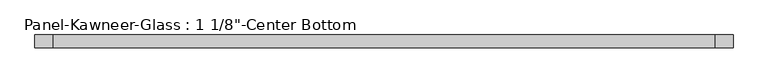
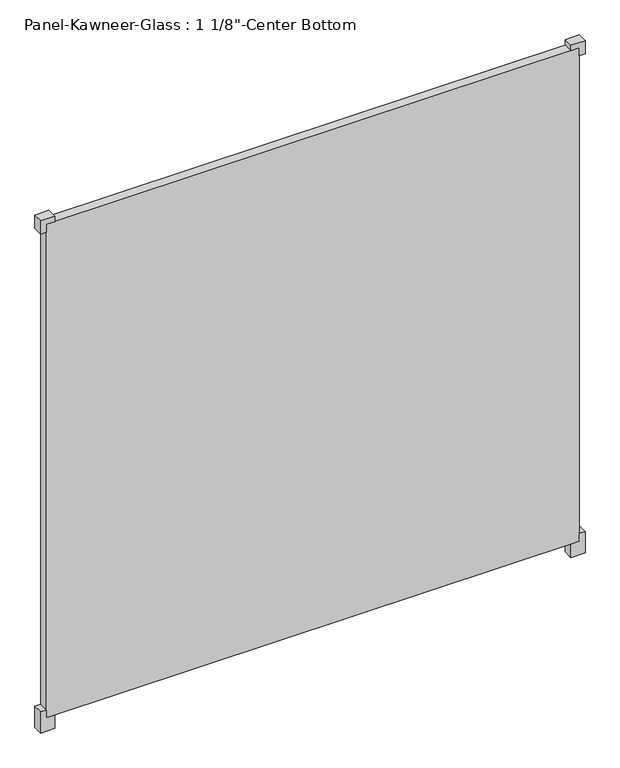
"""IFC4 building model written with IfcOpenShell, lengths in millimetres: plate geometry."""

from ifc_helpers import new_model, si_unit, frame, origin, origin_with_axes, place, context, project, spatial, polyline, outline, extrude, source, transform, mapped, element, save


def plate_b286c042(model_context):
    return source(origin(), model_context, "Body", "SweptSolid", [
        extrude(outline(polyline([(-39.6875, 730.25), (-39.6875, 769.9375), (23.8125, 769.9375), (23.8125, 754.0625), (0.0, 754.0625), (0.0, 730.25), (-39.6875, 730.25)])), frame((0.0, -14.2210761, 0.0), z_axis=(0.0, 1.0, 0.0), x_axis=(0.0, 0.0, 1.0)), (0.0, 0.0, 1.0), 28.575),
        extrude(outline(polyline([(-39.6875, -730.25), (0.0, -730.25), (0.0, -754.0625), (23.8125, -754.0625), (23.8125, -769.9375), (-39.6875, -769.9375), (-39.6875, -730.25)])), frame((0.0, -14.2210761, 0.0), z_axis=(0.0, 1.0, 0.0), x_axis=(0.0, 0.0, 1.0)), (0.0, 0.0, 1.0), 28.575),
        extrude(outline(polyline([(1492.25, 730.25), (1476.375, 730.25), (1476.375, 754.0625), (1452.5625, 754.0625), (1452.5625, 769.9375), (1492.25, 769.9375), (1492.25, 730.25)])), frame((0.0, -14.2210761, 0.0), z_axis=(0.0, 1.0, 0.0), x_axis=(0.0, 0.0, 1.0)), (0.0, 0.0, 1.0), 28.575),
        extrude(outline(polyline([(1492.25, -730.25), (1492.25, -769.9375), (1452.5625, -769.9375), (1452.5625, -754.0625), (1476.375, -754.0625), (1476.375, -730.25), (1492.25, -730.25)])), frame((0.0, -14.2210761, 0.0), z_axis=(0.0, 1.0, 0.0), x_axis=(0.0, 0.0, 1.0)), (0.0, 0.0, 1.0), 28.575),
        extrude(outline(polyline([(754.0625, 14.3539239), (754.0625, -14.2210761), (-754.0625, -14.2210761), (-754.0625, 14.3539239), (754.0625, 14.3539239)])), origin_with_axes(), (0.0, 0.0, 1.0), 1476.375),
    ])


if __name__ == "__main__":
    model = new_model("IFC4")
    model_context = context("Model", 3, world=origin())
    ifc_project = project(units=[si_unit("LENGTHUNIT", "METRE", prefix="MILLI")], contexts=[model_context])
    site = spatial("IfcSite", under=ifc_project)
    building = spatial("IfcBuilding", under=site)
    placement = place(None, origin())
    plate_shape = plate_b286c042(model_context)
    element("IfcPlate", 1, ObjectType="Panel-Kawneer-Glass : 1 1/8\"-Center Bottom", at=placement, inside=building, context=model_context, shape_type="MappedRepresentation", body=[
        mapped(plate_shape, transform((0.0, 0.0, 0.0), x_axis=(1.0, 0.0, 0.0), y_axis=(0.0, 1.0, 0.0), z_axis=(0.0, 0.0, 1.0))),
    ])
    save(model, "model.ifc")
